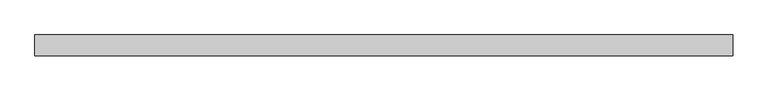
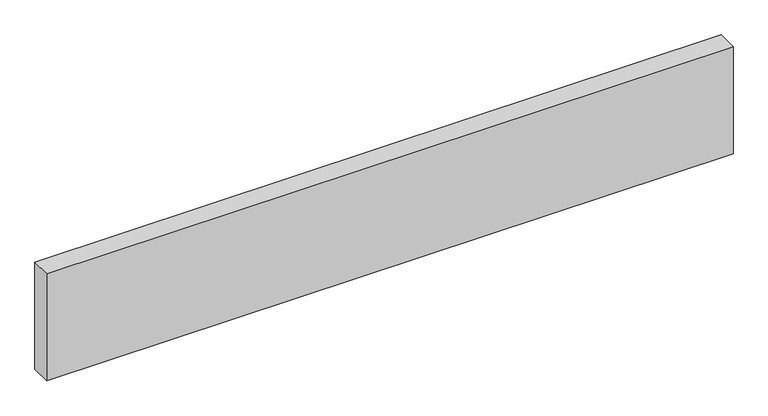
"""IFC4 building model written with IfcOpenShell, lengths in millimetres: beam geometry."""

from ifc_helpers import new_model, si_unit, frame, origin, place, context, project, spatial, polyline, outline, extrude, source, transform, mapped, element, save


def beam_126c384e(model_context):
    return source(origin(), model_context, "Body", "SweptSolid", [
        extrude(outline(polyline([(607.0, -18.0), (-607.0, -18.0), (-607.0, 18.0), (607.0, 18.0), (607.0, -18.0)])), frame((0.0, 0.0, -100.0), z_axis=(0.0, 0.0, 1.0), x_axis=(1.0, 0.0, 0.0)), (0.0, 0.0, 1.0), 200.0),
    ])


if __name__ == "__main__":
    model = new_model("IFC4")
    model_context = context("Model", 3, world=origin())
    ifc_project = project(units=[si_unit("LENGTHUNIT", "METRE", prefix="MILLI")], contexts=[model_context])
    site = spatial("IfcSite", under=ifc_project)
    building = spatial("IfcBuilding", under=site)
    placement = place(None, origin())
    beam_shape = beam_126c384e(model_context)
    element("IfcBeam", 1, at=placement, inside=building, context=model_context, shape_type="MappedRepresentation", body=[
        mapped(beam_shape, transform((0.0, 0.0, 0.0), x_axis=(1.0, 0.0, 0.0), y_axis=(0.0, 1.0, 0.0), z_axis=(0.0, 0.0, 1.0))),
    ])
    save(model, "model.ifc")
